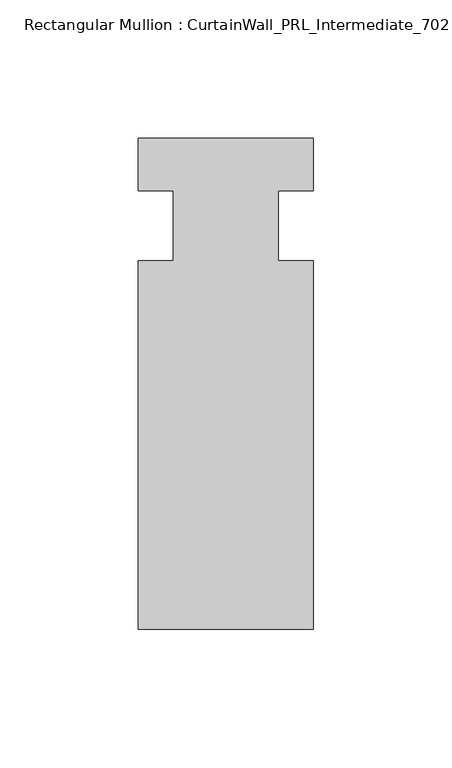
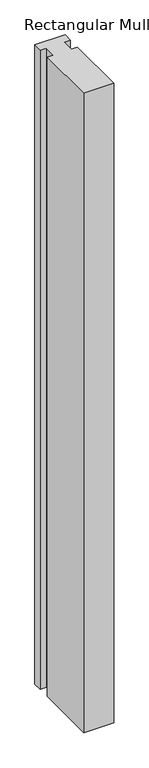
"""IFC4 building model written with IfcOpenShell, lengths in millimetres: member geometry, Rectangular Mullion : CurtainWall_PRL_Intermediate_702."""

from ifc_helpers import new_model, si_unit, frame, origin, place, context, project, spatial, polyline, outline, extrude, source, transform, mapped, element, save


def rectangular_mullion_curtainwall_prl_intermediate_702_49f58e9d(model_context):
    return source(origin(), model_context, "Body", "SweptSolid", [
        extrude(outline(polyline([(-19.05, -12.7), (-19.05, 12.7), (-31.75, 12.7), (-31.75, 31.75), (31.75, 31.75), (31.75, 12.7), (19.05, 12.7), (19.05, -12.7), (31.75, -12.7), (31.75, -146.05), (-31.75, -146.05), (-31.75, -12.7), (-19.05, -12.7)])), frame((0.0, 0.0, -1422.4), z_axis=(0.0, 0.0, 1.0), x_axis=(1.0, 0.0, 0.0)), (0.0, 0.0, 1.0), 1422.4),
    ])


if __name__ == "__main__":
    model = new_model("IFC4")
    model_context = context("Model", 3, world=origin())
    ifc_project = project(units=[si_unit("LENGTHUNIT", "METRE", prefix="MILLI")], contexts=[model_context])
    site = spatial("IfcSite", under=ifc_project)
    building = spatial("IfcBuilding", under=site)
    placement = place(None, origin())
    rectangular_mullion_curtainwall_prl_intermediate_702_shape = rectangular_mullion_curtainwall_prl_intermediate_702_49f58e9d(model_context)
    element("IfcMember", 1, ObjectType="Rectangular Mullion : CurtainWall_PRL_Intermediate_702", at=placement, inside=building, context=model_context, shape_type="MappedRepresentation", body=[
        mapped(rectangular_mullion_curtainwall_prl_intermediate_702_shape, transform((0.0, 0.0, 0.0), x_axis=(1.0, 0.0, 0.0), y_axis=(0.0, 1.0, 0.0), z_axis=(0.0, 0.0, 1.0))),
    ])
    save(model, "model.ifc")
